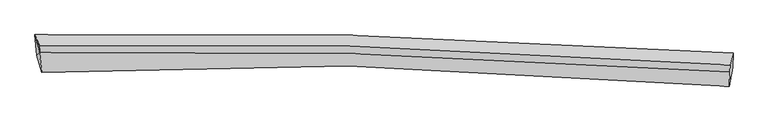
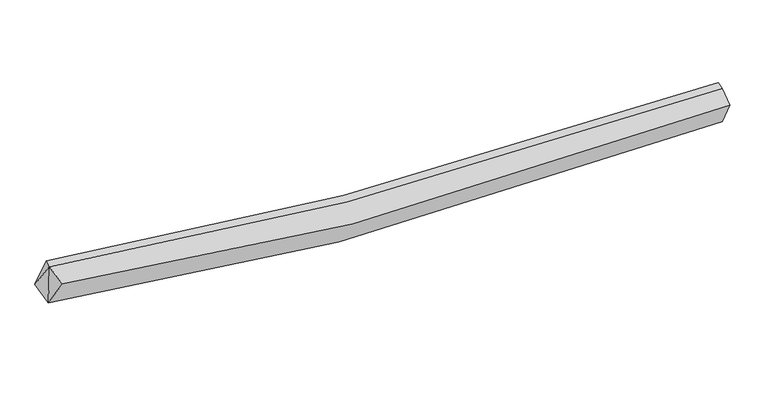
"""IFC4 building model written with IfcOpenShell, lengths in millimetres: proxy geometry."""

from ifc_helpers import new_model, si_unit, frame, origin, place, context, project, spatial, source, transform, mapped, element, save
from ifc_brep_helpers import plane_surface, spline_curve, spline_surface, advanced_brep


def generic_models_4705860c(model_context):
    return source(origin(), model_context, "Body", "AdvancedBrep", [
        advanced_brep(
        [(-6617.6849445, -2026.767928, 3155.3697706), (-6651.1668521, -1584.8667149, 3321.9819812), (7998.7252152, -1971.3305701, 2580.6245545), (7990.7560749, -2273.2037333, 2391.1635093), (-6506.8068169, -2379.2467107, 3767.936198), (7922.8938962, -2668.707304, 3036.58713), (-6553.5679254, -1962.2367862, 3927.7143397), (7930.7435761, -2367.0682032, 3227.6642736), (-6547.6443596, -1826.0752053, 3976.9248987), (7937.0759385, -2221.509852, 3280.2709471)],
        [
            (0, 1),
            (1, 2, spline_curve(3, [(-6651.1668521, -1584.8667149, 3321.9819812), (-4475.87622135, -1541.017911515, 2956.871555927), (-2294.240838476, -1542.724586577, 2705.783518344), (2585.796290795, -1648.137362614, 2400.074407599), (5287.45826329, -1775.251973489, 2404.043303276), (7998.7252152, -1971.3305701, 2580.6245545)], [4, 2, 4], [0.0, 21.620047633965438, 48.22102058033025])),
            (2, 3),
            (3, 0, spline_curve(3, [(7990.7560749, -2273.2037333, 2391.1635093), (5245.88275899, -2008.201182288, 2065.497310026), (2533.357980862, -1864.388474718, 1997.003446566), (-2325.14226471, -1823.378783998, 2339.031106228), (-4482.097826849, -1885.046224034, 2662.260390062), (-6617.6849445, -2026.767928, 3155.3697706)], [4, 2, 4], [0.0, 26.60097294636481, 48.22102058033025])),
            (4, 0),
            (3, 5),
            (5, 4, spline_curve(3, [(7922.8938962, -2668.707304, 3036.58713), (5234.450901682, -2417.004690396, 2716.560516377), (2565.357909774, -2274.790699968, 2647.262208422), (-2237.974338707, -2215.467657526, 2976.150167256), (-4378.781584827, -2261.194783769, 3289.231497656), (-6506.8068169, -2379.2467107, 3767.936198)], [4, 2, 4], [0.0, 26.434551131213144, 47.91933876629942])),
            (6, 4),
            (5, 7),
            (7, 6, spline_curve(3, [(7930.7435761, -2367.0682032, 3227.6642736), (5275.352781983, -2172.991779093, 3021.343517116), (2615.539235914, -2044.911680024, 2999.850680654), (-2214.065816577, -1932.369065972, 3295.937011559), (-4382.356104318, -1925.505360027, 3550.779869647), (-6553.5679254, -1962.2367862, 3927.7143397)], [4, 2, 4], [0.0, 26.288262836992654, 47.65415407322482])),
            (8, 6),
            (7, 9),
            (9, 8, spline_curve(3, [(7937.0759385, -2221.509852, 3280.2709471), (5282.081557544, -2018.321309893, 3077.243427543), (2622.40427723, -1887.108953309, 3056.882630214), (-2207.425343608, -1779.728347051, 3351.103344367), (-4375.988162392, -1779.129154597, 3603.682126423), (-6547.6443596, -1826.0752053, 3976.9248987)], [4, 2, 4], [0.0, 26.3289429801302, 47.727897166133545])),
            (1, 8),
            (9, 2),
            (1, 6),
            (6, 0),
        ],
        [
            spline_surface(3, 3, [[(-6617.6849445, -2026.767928, 3155.3697706), (-4482.097827054, -1885.046223894, 2662.260390028), (-2325.142264959, -1823.378784218, 2339.031106251), (2533.357981168, -1864.388474448, 1997.003446538), (5245.882758888, -2008.201182581, 2065.497309869), (7990.7560749, -2273.2037333, 2391.1635093)], [(-6628.845580374, -1879.467523612, 3210.907174155), (-4480.023958586, -1770.370119767, 2760.464112037), (-2314.841789376, -1729.827384915, 2461.281910268), (2550.837417611, -1792.30477058, 2131.360433529), (5259.741260202, -1930.551446108, 2178.345974253), (7993.412454985, -2172.579345569, 2454.31719106)], [(-6640.006216226, -1732.167119288, 3266.444577645), (-4477.950090097, -1655.694015702, 2858.667833979), (-2304.541313806, -1636.275985656, 2583.532714348), (2568.316854041, -1720.221066757, 2265.717420583), (5273.599761561, -1852.901709629, 2291.194638558), (7996.068835115, -2071.954957831, 2517.47087274)], [(-6651.1668521, -1584.8667149, 3321.9819812), (-4475.876221629, -1541.017911574, 2956.871555988), (-2294.240838223, -1542.724586352, 2705.783518365), (2585.796290483, -1648.137362889, 2400.074407573), (5287.458262875, -1775.251973156, 2404.043302942), (7998.7252152, -1971.3305701, 2580.6245545)]], [4, 4], [4, 2, 4], [0.0, 1.5046988763882898], [0.0, 21.620047633965438, 48.22102058033025]),
            spline_surface(3, 3, [[(-6506.8068169, -2379.2467107, 3767.936198), (-4378.781584739, -2261.194784053, 3289.2314977), (-2237.974338799, -2215.46765779, 2976.15016737), (2565.357909887, -2274.790699642, 2647.262208282), (5234.450901659, -2417.004690326, 2716.56051595), (7922.8938962, -2668.707304, 3036.58713)], [(-6543.766192753, -2261.753783142, 3563.747388838), (-4413.220332164, -2135.811930676, 3080.241128447), (-2267.030314216, -2084.771366615, 2763.777146991), (2554.69126695, -2137.989957926, 2430.509287695), (5238.261520747, -2280.736854402, 2499.539447235), (7945.514622446, -2536.872780424, 2821.445923079)], [(-6580.725568647, -2144.260855558, 3359.558579762), (-4447.65907963, -2010.429077272, 2871.250759281), (-2296.086289542, -1954.075075393, 2551.40412663), (2544.024624105, -2001.189216164, 2213.756367125), (5242.072139799, -2144.469018506, 2282.518378584), (7968.135348654, -2405.038256876, 2606.304716221)], [(-6617.6849445, -2026.767928, 3155.3697706), (-4482.097827054, -1885.046223894, 2662.260390028), (-2325.142264959, -1823.378784218, 2339.031106251), (2533.357981168, -1864.388474448, 1997.003446538), (5245.882758888, -2008.201182581, 2065.497309869), (7990.7560749, -2273.2037333, 2391.1635093)]], [4, 4], [4, 2, 4], [0.0, 2.5007759605473696], [0.0, 21.484787635086274, 47.91933876629942]),
            spline_surface(3, 3, [[(-6553.5679254, -1962.2367862, 3927.7143397), (-4382.356104418, -1925.505360189, 3550.779869635), (-2214.065816569, -1932.369066214, 3295.937011497), (2615.539235904, -2044.911679726, 2999.850680731), (5275.352781877, -2172.991779357, 3021.34351684), (7930.7435761, -2367.0682032, 3227.6642736)], [(-6537.980889222, -2101.240094365, 3874.454959159), (-4381.164597848, -2037.401834809, 3463.597079016), (-2222.035323963, -2026.735263415, 3189.341396809), (2598.812127248, -2121.538019707, 2882.321189937), (5261.718821804, -2254.329416345, 2919.749183236), (7928.127016133, -2467.614570132, 3163.971892426)], [(-6522.393853078, -2240.243402535, 3821.195578541), (-4379.97309131, -2149.298309434, 3376.41428832), (-2230.004831405, -2121.10146059, 3082.745782057), (2582.085018544, -2198.164359661, 2764.791699077), (5248.084861732, -2335.667053337, 2818.154849554), (7925.510456167, -2568.160937068, 3100.279511174)], [(-6506.8068169, -2379.2467107, 3767.936198), (-4378.781584739, -2261.194784053, 3289.2314977), (-2237.974338799, -2215.46765779, 2976.15016737), (2565.357909887, -2274.790699642, 2647.262208282), (5234.450901659, -2417.004690326, 2716.56051595), (7922.8938962, -2668.707304, 3036.58713)]], [4, 4], [4, 2, 4], [0.0, 1.3890065425982285], [0.0, 21.365891236232162, 47.65415407322482]),
            spline_surface(3, 3, [[(-6547.6443596, -1826.0752053, 3976.9248987), (-4375.988162141, -1779.129154242, 3603.682126434), (-2207.425343284, -1779.728346708, 3351.103344638), (2622.404276831, -1887.10895373, 3056.88262988), (5282.08155735, -2018.321310141, 3077.243427818), (7937.0759385, -2221.509852, 3280.2709471)], [(-6549.618881536, -1871.462398945, 3960.521379028), (-4378.110809569, -1827.921222903, 3586.048040829), (-2209.638834394, -1830.608586543, 3332.714566923), (2620.11592984, -1939.709862395, 3037.871980163), (5279.8386322, -2069.878133218, 3058.610124156), (7934.965151041, -2270.029302406, 3262.735389263)], [(-6551.593403464, -1916.849592555, 3944.117859372), (-4380.23345699, -1876.713291528, 3568.41395524), (-2211.852325458, -1881.48882638, 3314.325789212), (2617.827582896, -1992.310771061, 3018.861330449), (5277.595707027, -2121.434956279, 3039.976820503), (7932.854363559, -2318.548752794, 3245.199831437)], [(-6553.5679254, -1962.2367862, 3927.7143397), (-4382.356104418, -1925.505360189, 3550.779869635), (-2214.065816569, -1932.369066214, 3295.937011497), (2615.539235904, -2044.911679726, 2999.850680731), (5275.352781877, -2172.991779357, 3021.34351684), (7930.7435761, -2367.0682032, 3227.6642736)]], [4, 4], [4, 2, 4], [0.0, 0.5432622710037767], [0.0, 21.398954186003344, 47.727897166133545]),
            spline_surface(3, 3, [[(-6651.1668521, -1584.8667149, 3321.9819812), (-4475.876221629, -1541.017911574, 2956.871555988), (-2294.240838223, -1542.724586352, 2705.783518365), (2585.796290483, -1648.137362889, 2400.074407573), (5287.458262875, -1775.251973156, 2404.043302942), (7998.7252152, -1971.3305701, 2580.6245545)], [(-6616.659354615, -1665.269545035, 3540.29628702), (-4442.580201814, -1620.388325799, 3172.475079457), (-2265.302339884, -1621.725839796, 2920.890127129), (2597.998952625, -1727.794559828, 2619.010481682), (5285.666027696, -1856.275085487, 2628.44334454), (7978.175456296, -2054.723664069, 2813.840018672)], [(-6582.151857085, -1745.672375165, 3758.61059288), (-4409.284181955, -1699.758740018, 3388.078602966), (-2236.363841623, -1700.727093265, 3135.996735874), (2610.201614689, -1807.451756792, 2837.946555772), (5283.873792529, -1937.29819781, 2852.843386221), (7957.625697404, -2138.116758031, 3047.055482928)], [(-6547.6443596, -1826.0752053, 3976.9248987), (-4375.988162141, -1779.129154242, 3603.682126434), (-2207.425343284, -1779.728346708, 3351.103344638), (2622.404276831, -1887.10895373, 3056.88262988), (5282.08155735, -2018.321310141, 3077.243427818), (7937.0759385, -2221.509852, 3280.2709471)]], [4, 4], [4, 2, 4], [0.0, 2.2864921965126492], [0.0, 21.518373733092943, 47.99424868095882]),
            plane_surface(frame((7956.0389402, -2300.3639325, 2903.2620829), z_axis=(0.9957368606942908, -0.06644202404739784, 0.06398094790766741), x_axis=(-0.021978481778122734, -0.8445655827375391, -0.5350008624235382))),
            plane_surface(frame((-6584.126379, -1791.0595688, 3742.2070732), z_axis=(-0.9883331521934411, -0.011881764456038953, 0.15184335332436483), x_axis=(0.13549586799736832, -0.5239000789196981, 0.8409337530766462))),
            plane_surface(frame((-6559.3532289, -2122.750475, 3617.0067694), z_axis=(-0.9847456197371007, -0.14643413035628616, 0.09398462573948743), x_axis=(0.15499127449480454, -0.49271336883135086, 0.8562775490489852))),
            plane_surface(frame((-6607.4732406, -1857.957143, 3468.3553638), z_axis=(-0.9897924594547428, -0.10942194677324815, 0.09131114264362271), x_axis=(0.07071860787950865, -0.9333589641577908, -0.3519089690898489))),
        ],
        [
            (0, [[1, 2, 3, 4]]),
            (1, [[5, -4, 6, 7]]),
            (2, [[8, -7, 9, 10]]),
            (3, [[11, -10, 12, 13]]),
            (4, [[14, -13, 15, -2]]),
            (5, [[-9, -6, -3, -15, -12]]),
            (6, [[16, -11, -14]]),
            (7, [[-5, -8, 17]]),
            (8, [[-1, -17, -16]]),
        ],
    ),
    ])


if __name__ == "__main__":
    model = new_model("IFC4")
    model_context = context("Model", 3, world=origin())
    ifc_project = project(units=[si_unit("LENGTHUNIT", "METRE", prefix="MILLI")], contexts=[model_context])
    site = spatial("IfcSite", under=ifc_project)
    building = spatial("IfcBuilding", under=site)
    placement = place(None, origin())
    generic_models_shape = generic_models_4705860c(model_context)
    element("IfcBuildingElementProxy", 1, Name="Generic Models", at=placement, inside=building, context=model_context, shape_type="MappedRepresentation", body=[
        mapped(generic_models_shape, transform((0.0, 0.0, 0.0), x_axis=(1.0, 0.0, 0.0), y_axis=(0.0, 1.0, 0.0), z_axis=(0.0, 0.0, 1.0))),
    ])
    save(model, "model.ifc")
